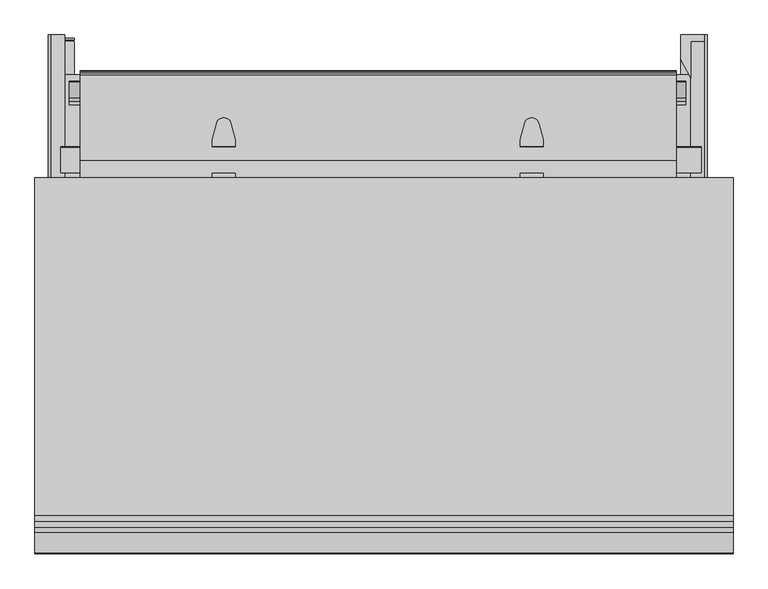
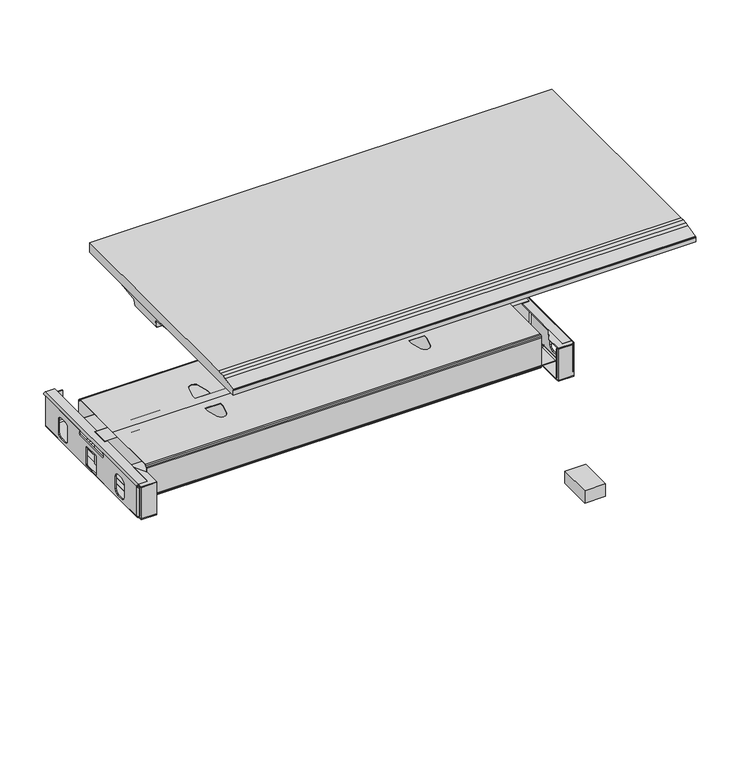
"""IFC4 building model written with IfcOpenShell, lengths in millimetres: furniture geometry."""

from ifc_helpers import new_model, si_unit, point, frame, frame_2d, origin, place, context, project, spatial, polyline, circle_curve, ellipse_curve, trimmed, segment, composite_curve, outline, extrude, faceted_brep, source, transform, mapped, element, save
from ifc_brep_helpers import plane_surface, cylinder_surface, revolved_surface, advanced_brep


def furniture_5e8d4d71(model_context):
    return source(origin(), model_context, "Body", "SolidModel", [
        extrude(outline(polyline([(-640.4329639, 158.9882127), (-640.4329639, 170.9160479), (-595.4647785, 170.9160479), (-595.4647785, 158.9882127), (-640.4329639, 158.9882127)])), frame((0.0, 0.0, 329.7479447), z_axis=(0.0, 0.0, 1.0), x_axis=(1.0, 0.0, 0.0)), (0.0, 0.0, 1.0), 2.6568509),
        extrude(outline(polyline([(-640.4329639, 158.9882127), (-640.4329639, 165.0842069), (-595.4647785, 165.0842069), (-595.4647785, 158.9882127), (-640.4329639, 158.9882127)])), frame((0.0, 0.0, 332.4047956), z_axis=(0.0, 0.0, 1.0), x_axis=(1.0, 0.0, 0.0)), (0.0, 0.0, 1.0), 96.2863103),
        extrude(outline(polyline([(-614.566129, 241.2699029), (-595.4647785, 205.8267357), (-595.4647785, 158.9882127), (-640.4329639, 158.9882127), (-640.4329639, 170.9160479), (-614.566129, 170.9160479), (-614.566129, 241.2699029)])), frame((0.0, 0.0, 428.6911059), z_axis=(0.0, 0.0, 1.0), x_axis=(1.0, 0.0, 0.0)), (0.0, 0.0, 1.0), 2.6568509),
        extrude(outline(composite_curve([segment(trimmed(circle_curve(frame_2d((-640.484237, 170.9160479)), 5.8318411), [point((-640.484237, 165.0842069))], [point((-646.3160781, 170.9160479))], False, "CARTESIAN"), True, "CONTINUOUS"), segment(polyline([(-646.3160781, 170.9160479), (-643.6593386, 170.9160479)]), True, "CONTINUOUS"), segment(trimmed(circle_curve(frame_2d((-640.4843029, 170.9160843)), 3.1750357), [point((-643.6593386, 170.9160479))], [point((-640.4144408, 167.7418174))], True, "CARTESIAN"), True, "CONTINUOUS"), segment(polyline([(-640.4144408, 167.7418174), (-595.4647785, 167.7418174), (-595.4647785, 165.0842069), (-640.484237, 165.0842069)]), True, "CONTINUOUS")], self_intersect=False)), frame((0.0, 0.0, 337.3679374), z_axis=(0.0, 0.0, 1.0), x_axis=(1.0, 0.0, 0.0)), (0.0, 0.0, 1.0), 87.8941627),
        extrude(outline(polyline([(342.9173325, 425.2621), (337.0354481, 421.6426262), (337.0354481, 416.1816223), (341.0613469, 412.1557053), (457.0505017, 412.1557053), (461.0764369, 416.1816223), (461.0764369, 421.6426262), (454.0472738, 425.9681253), (627.4425766, 425.9681253), (627.4425766, 333.9237072), (170.9160479, 333.9237072), (170.9160479, 425.2621), (342.9173325, 425.2621)]), holes=[polyline([(233.9635599, 355.1479568), (235.6650368, 348.7979447), (240.3135539, 344.1494275), (246.663566, 342.4479689), (265.713566, 342.4479689), (272.0635599, 344.1494275), (276.7120862, 348.7979447), (278.413563, 355.1479568), (278.413563, 393.2479568), (276.7120862, 399.5979689), (272.0635599, 404.246486), (265.713566, 405.9479447), (246.663566, 405.9479447), (240.3135539, 404.246486), (235.6650368, 399.5979689), (233.9635599, 393.2479568), (233.9635599, 355.1479568)]), polyline([(424.4559432, 341.1298807), (424.4559432, 392.4229345), (423.9200452, 394.4229577), (422.4559432, 395.8870399), (420.4559432, 396.4229447), (377.6345424, 396.4229447), (375.6345441, 395.8870399), (374.1704415, 394.4229577), (373.6345435, 392.4229345), (373.6345435, 341.1298807), (374.1704415, 339.1298938), (375.6345441, 337.6657753), (377.6345424, 337.1298705), (420.4559432, 337.1298705), (422.4559432, 337.6657753), (423.9200452, 339.1298938), (424.4559432, 341.1298807)]), polyline([(564.1483295, 355.1479568), (564.1483295, 393.2479568), (562.4468527, 399.5979689), (557.7983356, 404.246486), (551.4483235, 405.9479447), (532.3983235, 405.9479447), (526.0483295, 404.246486), (521.3998033, 399.5979689), (519.6983265, 393.2479568), (519.6983265, 355.1479568), (521.3998033, 348.7979447), (526.0483295, 344.1494275), (532.3983235, 342.4479689), (551.4483235, 342.4479689), (557.7983356, 344.1494275), (562.4468527, 348.7979447), (564.1483295, 355.1479568)])]), frame((-646.3160781, 0.0, 0.0), z_axis=(1.0, 0.0, 0.0), x_axis=(0.0, 1.0, 0.0)), (0.0, 0.0, 1.0), 2.6568146),
        extrude(outline(composite_curve([segment(trimmed(circle_curve(frame_2d((425.1683348, -640.1268352)), 6.1899531), [point((431.3479568, -640.4843144))], [point((425.2621, -646.3160781))], False, "CARTESIAN"), True, "CONTINUOUS"), segment(polyline([(425.2621, -646.3160781), (425.2621, -643.6895529)]), True, "CONTINUOUS"), segment(trimmed(circle_curve(frame_2d((425.2415122, -640.2400206)), 3.4495937), [point((425.2621, -643.6895529))], [point((428.6911059, -640.2400206))], True, "CARTESIAN"), True, "CONTINUOUS"), segment(polyline([(428.6911059, -640.2400206), (428.6911059, -614.566129), (431.3479568, -614.566129), (431.3479568, -640.4843144)]), True, "CONTINUOUS")], self_intersect=False)), frame((0.0, 170.9160479, 0.0), z_axis=(0.0, 1.0, 0.0), x_axis=(0.0, 0.0, 1.0)), (0.0, 0.0, 1.0), 468.4543798),
        extrude(outline(composite_curve([segment(polyline([(-640.4841619, 633.0328981), (-596.3648392, 633.0328981), (-596.3648392, 630.3752876), (-640.4143657, 630.3752876)]), True, "CONTINUOUS"), segment(trimmed(circle_curve(frame_2d((-640.4842278, 627.2010206)), 3.1750357), [point((-640.4143657, 630.3752876))], [point((-643.6592635, 627.2010571))], True, "CARTESIAN"), True, "CONTINUOUS"), segment(polyline([(-643.6592635, 627.2010571), (-646.3160029, 627.2010571)]), True, "CONTINUOUS"), segment(trimmed(circle_curve(frame_2d((-640.4841619, 627.2010571)), 5.8318411), [point((-646.3160029, 627.2010571))], [point((-640.4841619, 633.0328981))], False, "CARTESIAN"), True, "CONTINUOUS")], self_intersect=False)), frame((0.0, 0.0, 337.3679374), z_axis=(0.0, 0.0, 1.0), x_axis=(1.0, 0.0, 0.0)), (0.0, 0.0, 1.0), 87.8941627),
        extrude(outline(composite_curve([segment(polyline([(335.5797835, -643.6592635), (335.5797835, -646.3160029)]), True, "CONTINUOUS"), segment(trimmed(circle_curve(frame_2d((335.5797835, -640.4841641)), 5.8318388), [point((335.5797835, -646.3160029))], [point((329.7479447, -640.4841641))], False, "CARTESIAN"), True, "CONTINUOUS"), segment(polyline([(329.7479447, -640.4841641), (329.7479447, -595.4647785), (332.4053252, -595.4647785), (332.4053252, -640.4263376)]), True, "CONTINUOUS"), segment(trimmed(circle_curve(frame_2d((335.57973, -640.484329)), 3.1749345), [point((332.4053252, -640.4263376))], [point((335.5797835, -643.6592635))], True, "CARTESIAN"), True, "CONTINUOUS")], self_intersect=False)), frame((0.0, 170.9160479, 0.0), z_axis=(0.0, 1.0, 0.0), x_axis=(0.0, 0.0, 1.0)), (0.0, 0.0, 1.0), 456.2850092),
        extrude(outline(polyline([(607.613747, 562.6755316), (607.613747, 235.531324), (-617.8181082, 235.531324), (-617.8181082, 562.6755316), (607.613747, 562.6755316)])), frame((0.0, 0.0, 332.4053252), z_axis=(0.0, 0.0, 1.0), x_axis=(1.0, 0.0, 0.0)), (0.0, 0.0, 1.0), 1.518382),
        extrude(outline(polyline([(616.2505912, 639.3704277), (616.2505912, 633.2744336), (571.2824058, 633.2744336), (571.2824058, 639.3704277), (616.2505912, 639.3704277)])), frame((0.0, 0.0, 332.4047956), z_axis=(0.0, 0.0, 1.0), x_axis=(1.0, 0.0, 0.0)), (0.0, 0.0, 1.0), 96.2863103),
        extrude(outline(polyline([(616.2505912, 639.3704277), (616.2505912, 627.2010571), (571.2824058, 627.2010571), (571.2824058, 639.3704277), (616.2505912, 639.3704277)])), frame((0.0, 0.0, 329.7479447), z_axis=(0.0, 0.0, 1.0), x_axis=(1.0, 0.0, 0.0)), (0.0, 0.0, 1.0), 2.6568509),
        extrude(outline(polyline([(590.3324058, 557.0887375), (571.2824058, 592.5319047), (571.2824058, 639.3704277), (616.2505912, 639.3704277), (616.2505912, 627.4425925), (590.3324058, 627.4425925), (590.3324058, 557.0887375)])), frame((0.0, 0.0, 428.6911059), z_axis=(0.0, 0.0, 1.0), x_axis=(1.0, 0.0, 0.0)), (0.0, 0.0, 1.0), 2.6568509),
        extrude(outline(polyline([(616.2505912, 170.9160479), (616.2505912, 158.9882127), (571.2824058, 158.9882127), (571.2824058, 170.9160479), (616.2505912, 170.9160479)])), frame((0.0, 0.0, 329.7479447), z_axis=(0.0, 0.0, 1.0), x_axis=(1.0, 0.0, 0.0)), (0.0, 0.0, 1.0), 2.6568509),
        extrude(outline(polyline([(616.2505912, 165.0842069), (616.2505912, 158.9882127), (571.2824058, 158.9882127), (571.2824058, 165.0842069), (616.2505912, 165.0842069)])), frame((0.0, 0.0, 332.4047956), z_axis=(0.0, 0.0, 1.0), x_axis=(1.0, 0.0, 0.0)), (0.0, 0.0, 1.0), 96.2863103),
        extrude(outline(polyline([(590.3324058, 241.2699029), (590.3324058, 170.9160479), (616.2505912, 170.9160479), (616.2505912, 158.9882127), (571.2824058, 158.9882127), (571.2824058, 205.8267357), (590.3324058, 241.2699029)])), frame((0.0, 0.0, 428.6911059), z_axis=(0.0, 0.0, 1.0), x_axis=(1.0, 0.0, 0.0)), (0.0, 0.0, 1.0), 2.6568509),
        extrude(outline(composite_curve([segment(polyline([(616.3018643, 165.0842069), (571.2824058, 165.0842069), (571.2824058, 167.7418174), (616.2320682, 167.7418174)]), True, "CONTINUOUS"), segment(trimmed(circle_curve(frame_2d((616.3019303, 170.9160843)), 3.1750357), [point((616.2320682, 167.7418174))], [point((619.476966, 170.9160479))], True, "CARTESIAN"), True, "CONTINUOUS"), segment(polyline([(619.476966, 170.9160479), (622.1337054, 170.9160479)]), True, "CONTINUOUS"), segment(trimmed(circle_curve(frame_2d((616.3018643, 170.9160479)), 5.8318411), [point((622.1337054, 170.9160479))], [point((616.3018643, 165.0842069))], False, "CARTESIAN"), True, "CONTINUOUS")], self_intersect=False)), frame((0.0, 0.0, 337.3679374), z_axis=(0.0, 0.0, 1.0), x_axis=(1.0, 0.0, 0.0)), (0.0, 0.0, 1.0), 87.8941627),
        extrude(outline(polyline([(342.9173325, 425.2621), (337.0354481, 421.6426262), (337.0354481, 416.1816223), (341.0613469, 412.1557053), (457.0505017, 412.1557053), (461.0764369, 416.1816223), (461.0764369, 421.6426262), (454.0472738, 425.9681253), (627.4425766, 425.9681253), (627.4425766, 333.9237072), (170.9160479, 333.9237072), (170.9160479, 425.2621), (342.9173325, 425.2621)]), holes=[polyline([(233.9635599, 355.1479568), (235.6650368, 348.7979447), (240.3135539, 344.1494275), (246.663566, 342.4479689), (265.713566, 342.4479689), (272.0635599, 344.1494275), (276.7120862, 348.7979447), (278.413563, 355.1479568), (278.413563, 393.2479568), (276.7120862, 399.5979689), (272.0635599, 404.246486), (265.713566, 405.9479447), (246.663566, 405.9479447), (240.3135539, 404.246486), (235.6650368, 399.5979689), (233.9635599, 393.2479568), (233.9635599, 355.1479568)]), polyline([(424.4559432, 341.1298807), (424.4559432, 392.4229345), (423.9200452, 394.4229577), (422.4559432, 395.8870399), (420.4559432, 396.4229447), (377.6345424, 396.4229447), (375.6345441, 395.8870399), (374.1704415, 394.4229577), (373.6345435, 392.4229345), (373.6345435, 341.1298807), (374.1704415, 339.1298938), (375.6345441, 337.6657753), (377.6345424, 337.1298705), (420.4559432, 337.1298705), (422.4559432, 337.6657753), (423.9200452, 339.1298938), (424.4559432, 341.1298807)]), polyline([(564.1483295, 355.1479568), (564.1483295, 393.2479568), (562.4468527, 399.5979689), (557.7983356, 404.246486), (551.4483235, 405.9479447), (532.3983235, 405.9479447), (526.0483295, 404.246486), (521.3998033, 399.5979689), (519.6983265, 393.2479568), (519.6983265, 355.1479568), (521.3998033, 348.7979447), (526.0483295, 344.1494275), (532.3983235, 342.4479689), (551.4483235, 342.4479689), (557.7983356, 344.1494275), (562.4468527, 348.7979447), (564.1483295, 355.1479568)])]), frame((616.2505912, 0.0, 0.0), z_axis=(1.0, 0.0, 0.0), x_axis=(0.0, 1.0, 0.0)), (0.0, 0.0, 1.0), 3.2262996),
        faceted_brep([(562.1400259, 227.963817, 425.827242), (562.1400259, 227.963817, 340.2714177), (562.1400259, 227.963817, 338.0876055), (562.1400259, 228.9762009, 334.3092941), (562.1400259, 231.7467258, 331.5387874), (562.1400259, 235.531324, 330.5247141), (562.1400259, 398.8377457, 330.5247141), (562.1400259, 562.8273164, 330.5247141), (562.1400259, 566.6119146, 331.5387874), (562.1400259, 569.3824396, 334.3092941), (562.1400259, 570.3948234, 338.0876055), (562.1400259, 570.3948234, 340.2714177), (562.1400259, 570.3948234, 425.827242), (562.1400259, 569.4215919, 429.4594331), (562.1400259, 566.6102252, 432.3823651), (562.1400259, 562.825627, 433.3964384), (562.1400259, 397.785447, 433.3964384), (562.1400259, 235.5330134, 433.3964384), (562.1400259, 231.7484152, 432.3823651), (562.1400259, 228.9370485, 429.4594331), (562.1400259, 235.5330134, 432.1772541), (562.1400259, 396.9389352, 432.1772541), (562.1400259, 562.825627, 432.1772541), (562.1400259, 566.000633, 431.3265066), (562.1400259, 568.3248916, 429.0022299), (562.1400259, 569.1756391, 425.827242), (562.1400259, 569.1756391, 340.2714177), (562.1400259, 569.1756391, 338.0876733), (562.1400259, 568.326581, 334.9189226), (562.1400259, 566.0023225, 332.5946459), (562.1400259, 562.8273164, 331.7438984), (562.1400259, 397.7786116, 331.7438984), (562.1400259, 235.531324, 331.7438984), (562.1400259, 232.3563179, 332.5946459), (562.1400259, 230.0320594, 334.9189226), (562.1400259, 229.1830013, 338.0876733), (562.1400259, 229.1830013, 340.2714177), (562.1400259, 229.1830013, 425.827242), (562.1400259, 230.0337488, 429.0022299), (562.1400259, 232.3580074, 431.3265066), (-584.7408985, 227.963817, 425.827242), (-584.7408985, 228.9370485, 429.4594331), (-584.7408985, 231.7484152, 432.3823651), (-584.7408985, 235.5330134, 433.3964384), (-584.7408985, 397.785447, 433.3964384), (-584.7408985, 562.825627, 433.3964384), (-584.7408985, 566.6102252, 432.3823651), (-584.7408985, 569.4215919, 429.4594331), (-584.7408985, 570.3948234, 425.827242), (-584.7408985, 570.3948234, 340.2714177), (-584.7408985, 570.3948234, 338.0876055), (-584.7408985, 569.3824396, 334.3092941), (-584.7408985, 566.6119146, 331.5387874), (-584.7408985, 562.8273164, 330.5247141), (-584.7408985, 398.8377457, 330.5247141), (-584.7408985, 235.531324, 330.5247141), (-584.7408985, 231.7467258, 331.5387874), (-584.7408985, 228.9762009, 334.3092941), (-584.7408985, 227.963817, 338.0876055), (-584.7408985, 227.963817, 340.2714177), (-584.7408985, 235.5330134, 432.1772541), (-584.7408985, 232.3580074, 431.3265066), (-584.7408985, 230.0337488, 429.0022299), (-584.7408985, 229.1830013, 425.827242), (-584.7408985, 229.1830013, 340.2714177), (-584.7408985, 229.1830013, 338.0876733), (-584.7408985, 230.0320594, 334.9189226), (-584.7408985, 232.3563179, 332.5946459), (-584.7408985, 235.531324, 331.7438984), (-584.7408985, 397.7786116, 331.7438984), (-584.7408985, 562.8273164, 331.7438984), (-584.7408985, 566.0023225, 332.5946459), (-584.7408985, 568.326581, 334.9189226), (-584.7408985, 569.1756391, 338.0876733), (-584.7408985, 569.1756391, 340.2714177), (-584.7408985, 569.1756391, 425.827242), (-584.7408985, 568.3248916, 429.0022299), (-584.7408985, 566.000633, 431.3265066), (-584.7408985, 562.825627, 432.1772541), (-584.7408985, 396.9389352, 432.1772541), (-330.5047758, 360.9565261, 432.1772541), (-321.8451218, 328.5218157, 432.1772541), (-319.4303984, 323.3434246, 432.1772541), (-314.9899754, 319.7476409, 432.1772541), (-309.4226676, 318.4623267, 432.1772541), (-307.136917, 318.4623267, 432.1772541), (-301.5696093, 319.7476409, 432.1772541), (-297.1291863, 323.3434246, 432.1772541), (-294.7144421, 328.5218604, 432.1772541), (-286.0548, 360.9565261, 432.1772541), (-286.0548, 373.6565253, 432.1772541), (-330.5047758, 373.6565253, 432.1772541), (306.2587307, 360.9565261, 432.1772541), (306.2587307, 373.6565253, 432.1772541), (261.8087549, 373.6565253, 432.1772541), (261.8087549, 360.9565261, 432.1772541), (270.468397, 328.5218604, 432.1772541), (272.8831412, 323.3434246, 432.1772541), (277.3235642, 319.7476409, 432.1772541), (282.890872, 318.4623267, 432.1772541), (285.1766226, 318.4623267, 432.1772541), (290.7439303, 319.7476409, 432.1772541), (295.1843533, 323.3434246, 432.1772541), (297.5990767, 328.5218157, 432.1772541), (-321.8451218, 328.5218157, 433.3964384), (-330.5047758, 360.9565261, 433.3964384), (-330.5047758, 373.6565253, 433.3964384), (-286.0548, 373.6565253, 433.3964384), (-286.0548, 360.9565261, 433.3964384), (-294.7144421, 328.5218604, 433.3964384), (-297.1291863, 323.3434246, 433.3964384), (-301.5696093, 319.7476409, 433.3964384), (-307.136917, 318.4623267, 433.3964384), (-309.4226676, 318.4623267, 433.3964384), (-314.9899754, 319.7476409, 433.3964384), (-319.4303984, 323.3434246, 433.3964384), (306.2587307, 373.6565253, 433.3964384), (306.2587307, 360.9565261, 433.3964384), (297.5990767, 328.5218157, 433.3964384), (295.1843533, 323.3434246, 433.3964384), (290.7439303, 319.7476409, 433.3964384), (285.1766226, 318.4623267, 433.3964384), (282.890872, 318.4623267, 433.3964384), (277.3235642, 319.7476409, 433.3964384), (272.8831412, 323.3434246, 433.3964384), (270.468397, 328.5218604, 433.3964384), (261.8087549, 360.9565261, 433.3964384), (261.8087549, 373.6565253, 433.3964384), (-330.5047758, 424.7021151, 433.3964384), (-330.5047758, 437.4021143, 433.3964384), (-321.8451218, 469.8368247, 433.3964384), (-319.4303984, 475.0152158, 433.3964384), (-314.9899754, 478.6109995, 433.3964384), (-309.4226676, 479.8963137, 433.3964384), (-307.136917, 479.8963137, 433.3964384), (-301.5696093, 478.6109995, 433.3964384), (-297.1291863, 475.0152158, 433.3964384), (-294.7144421, 469.83678, 433.3964384), (-286.0548, 437.4021143, 433.3964384), (-286.0548, 424.7021151, 433.3964384), (297.5990767, 469.8368247, 433.3964384), (306.2587307, 437.4021143, 433.3964384), (306.2587307, 424.7021151, 433.3964384), (261.8087549, 424.7021151, 433.3964384), (261.8087549, 437.4021143, 433.3964384), (270.468397, 469.83678, 433.3964384), (272.8831412, 475.0152158, 433.3964384), (277.3235642, 478.6109995, 433.3964384), (282.890872, 479.8963137, 433.3964384), (285.1766226, 479.8963137, 433.3964384), (290.7439303, 478.6109995, 433.3964384), (295.1843533, 475.0152158, 433.3964384), (-330.5047758, 437.4021143, 432.1772541), (-330.5047758, 424.7021151, 432.1772541), (-286.0548, 424.7021151, 432.1772541), (-286.0548, 437.4021143, 432.1772541), (-294.7144421, 469.83678, 432.1772541), (-297.1291863, 475.0152158, 432.1772541), (-301.5696093, 478.6109995, 432.1772541), (-307.136917, 479.8963137, 432.1772541), (-309.4226676, 479.8963137, 432.1772541), (-314.9899754, 478.6109995, 432.1772541), (-319.4303984, 475.0152158, 432.1772541), (-321.8451218, 469.8368247, 432.1772541), (306.2587307, 437.4021143, 432.1772541), (297.5990767, 469.8368247, 432.1772541), (295.1843533, 475.0152158, 432.1772541), (290.7439303, 478.6109995, 432.1772541), (285.1766226, 479.8963137, 432.1772541), (282.890872, 479.8963137, 432.1772541), (277.3235642, 478.6109995, 432.1772541), (272.8831412, 475.0152158, 432.1772541), (270.468397, 469.83678, 432.1772541), (261.8087549, 437.4021143, 432.1772541), (261.8087549, 424.7021151, 432.1772541), (306.2587307, 424.7021151, 432.1772541)], [[[0, 1, 2, 3, 4, 5, 6, 7, 8, 9, 10, 11, 12, 13, 14, 15, 16, 17, 18, 19], [20, 21, 22, 23, 24, 25, 26, 27, 28, 29, 30, 31, 32, 33, 34, 35, 36, 37, 38, 39]], [[40, 41, 42, 43, 44, 45, 46, 47, 48, 49, 50, 51, 52, 53, 54, 55, 56, 57, 58, 59], [60, 61, 62, 63, 64, 65, 66, 67, 68, 69, 70, 71, 72, 73, 74, 75, 76, 77, 78, 79]], [[37, 36, 64, 63]], [[38, 37, 63, 62]], [[39, 38, 62, 61]], [[20, 39, 61, 60]], [[21, 20, 60, 79], [80, 81, 82, 83, 84, 85, 86, 87, 88, 89, 90, 91], [92, 93, 94, 95, 96, 97, 98, 99, 100, 101, 102, 103]], [[17, 16, 44, 43], [104, 105, 106, 107, 108, 109, 110, 111, 112, 113, 114, 115], [116, 117, 118, 119, 120, 121, 122, 123, 124, 125, 126, 127]], [[18, 17, 43, 42]], [[19, 18, 42, 41]], [[0, 19, 41, 40]], [[1, 0, 40, 59]], [[2, 1, 59, 58]], [[3, 2, 58, 57]], [[4, 3, 57, 56]], [[5, 4, 56, 55]], [[6, 5, 55, 54]], [[7, 6, 54, 53]], [[8, 7, 53, 52]], [[9, 8, 52, 51]], [[10, 9, 51, 50]], [[11, 10, 50, 49]], [[12, 11, 49, 48]], [[13, 12, 48, 47]], [[14, 13, 47, 46]], [[15, 14, 46, 45]], [[16, 15, 45, 44], [128, 129, 130, 131, 132, 133, 134, 135, 136, 137, 138, 139], [140, 141, 142, 143, 144, 145, 146, 147, 148, 149, 150, 151]], [[22, 21, 79, 78], [152, 153, 154, 155, 156, 157, 158, 159, 160, 161, 162, 163], [164, 165, 166, 167, 168, 169, 170, 171, 172, 173, 174, 175]], [[23, 22, 78, 77]], [[24, 23, 77, 76]], [[25, 24, 76, 75]], [[26, 25, 75, 74]], [[27, 26, 74, 73]], [[28, 27, 73, 72]], [[29, 28, 72, 71]], [[30, 29, 71, 70]], [[31, 30, 70, 69]], [[32, 31, 69, 68]], [[33, 32, 68, 67]], [[34, 33, 67, 66]], [[35, 34, 66, 65]], [[36, 35, 65, 64]], [[80, 105, 104, 81]], [[81, 104, 115, 82]], [[82, 115, 114, 83]], [[83, 114, 113, 84]], [[84, 113, 112, 85]], [[85, 112, 111, 86]], [[86, 111, 110, 87]], [[87, 110, 109, 88]], [[88, 109, 108, 89]], [[89, 108, 107, 90]], [[90, 107, 106, 91]], [[105, 80, 91, 106]], [[92, 117, 116, 93]], [[93, 116, 127, 94]], [[94, 127, 126, 95]], [[95, 126, 125, 96]], [[96, 125, 124, 97]], [[97, 124, 123, 98]], [[98, 123, 122, 99]], [[99, 122, 121, 100]], [[100, 121, 120, 101]], [[101, 120, 119, 102]], [[102, 119, 118, 103]], [[117, 92, 103, 118]], [[152, 129, 128, 153]], [[153, 128, 139, 154]], [[154, 139, 138, 155]], [[155, 138, 137, 156]], [[156, 137, 136, 157]], [[157, 136, 135, 158]], [[158, 135, 134, 159]], [[159, 134, 133, 160]], [[160, 133, 132, 161]], [[161, 132, 131, 162]], [[162, 131, 130, 163]], [[129, 152, 163, 130]], [[164, 141, 140, 165]], [[165, 140, 151, 166]], [[166, 151, 150, 167]], [[167, 150, 149, 168]], [[168, 149, 148, 169]], [[169, 148, 147, 170]], [[170, 147, 146, 171]], [[171, 146, 145, 172]], [[172, 145, 144, 173]], [[173, 144, 143, 174]], [[174, 143, 142, 175]], [[141, 164, 175, 142]]]),
        extrude(outline(composite_curve([segment(trimmed(circle_curve(frame_2d((422.8428694, 431.8406922)), 1.5557462), [point((422.8428694, 433.3964384))], [point((424.3986156, 431.8406922))], False, "CARTESIAN"), True, "CONTINUOUS"), segment(polyline([(424.3986156, 431.8406922), (424.3986156, 333.9237072), (374.3606156, 333.9237072), (374.3606156, 433.3964384), (422.8428694, 433.3964384)]), True, "CONTINUOUS")], self_intersect=False)), frame((-622.1783882, 0.0, 0.0), z_axis=(1.0, 0.0, 0.0), x_axis=(0.0, 1.0, 0.0)), (0.0, 0.0, 1.0), 1232.0789923),
        extrude(outline(composite_curve([segment(polyline([(431.3479568, 616.2505912), (431.3479568, 590.3324058), (428.6911059, 590.3324058), (428.6911059, 616.0062975)]), True, "CONTINUOUS"), segment(trimmed(circle_curve(frame_2d((425.2415122, 616.0062975)), 3.4495937), [point((428.6911059, 616.0062975))], [point((425.2621, 619.4558297))], True, "CARTESIAN"), True, "CONTINUOUS"), segment(polyline([(425.2621, 619.4558297), (425.2621, 622.0823549)]), True, "CONTINUOUS"), segment(trimmed(circle_curve(frame_2d((425.1683348, 615.893112)), 6.1899531), [point((425.2621, 622.0823549))], [point((431.3479568, 616.2505912))], False, "CARTESIAN"), True, "CONTINUOUS")], self_intersect=False)), frame((0.0, 170.9160479, 0.0), z_axis=(0.0, 1.0, 0.0), x_axis=(0.0, 0.0, 1.0)), (0.0, 0.0, 1.0), 468.4543798),
        extrude(outline(composite_curve([segment(trimmed(circle_curve(frame_2d((615.4017284, 627.2010571)), 5.8318411), [point((615.4017284, 633.0328981))], [point((621.2335695, 627.2010571))], False, "CARTESIAN"), True, "CONTINUOUS"), segment(polyline([(621.2335695, 627.2010571), (618.5768301, 627.2010571)]), True, "CONTINUOUS"), segment(trimmed(circle_curve(frame_2d((615.4017944, 627.2010206)), 3.1750357), [point((618.5768301, 627.2010571))], [point((615.3319323, 630.3752876))], True, "CARTESIAN"), True, "CONTINUOUS"), segment(polyline([(615.3319323, 630.3752876), (571.2824058, 630.3752876), (571.2824058, 633.0328981), (615.4017284, 633.0328981)]), True, "CONTINUOUS")], self_intersect=False)), frame((0.0, 0.0, 337.3679374), z_axis=(0.0, 0.0, 1.0), x_axis=(1.0, 0.0, 0.0)), (0.0, 0.0, 1.0), 87.8941627),
        extrude(outline(composite_curve([segment(trimmed(circle_curve(frame_2d((335.57973, 616.3019564)), 3.1749345), [point((335.5797835, 619.4768908))], [point((332.4053252, 616.243965))], True, "CARTESIAN"), True, "CONTINUOUS"), segment(polyline([(332.4053252, 616.243965), (332.4053252, 571.2824058), (329.7479447, 571.2824058), (329.7479447, 616.3017915)]), True, "CONTINUOUS"), segment(trimmed(circle_curve(frame_2d((335.5797835, 616.3017915)), 5.8318388), [point((329.7479447, 616.3017915))], [point((335.5797835, 622.1336303))], False, "CARTESIAN"), True, "CONTINUOUS"), segment(polyline([(335.5797835, 622.1336303), (335.5797835, 619.4768908)]), True, "CONTINUOUS")], self_intersect=False)), frame((0.0, 170.9160479, 0.0), z_axis=(0.0, 1.0, 0.0), x_axis=(0.0, 0.0, 1.0)), (0.0, 0.0, 1.0), 456.2850092),
        extrude(outline(polyline([(247.9512827, 383.2047711), (249.1812376, 384.0960597), (279.7035642, 341.97605), (286.6253346, 336.0531557), (295.8489895, 333.9237072), (417.8747239, 333.9237072), (502.5096509, 333.9237072), (511.7333058, 336.0531557), (518.6550762, 341.97605), (549.1774028, 384.0960597), (550.4073577, 383.2047711), (519.8850248, 341.0847527), (512.423716, 334.700186), (502.7693005, 332.4712885), (402.1125576, 332.4712885), (295.5893399, 332.4712885), (285.9349244, 334.700186), (278.4736156, 341.0847527), (247.9512827, 383.2047711)])), frame((-605.1524342, 0.0, 0.0), z_axis=(1.0, 0.0, 0.0), x_axis=(0.0, 1.0, 0.0)), (0.0, 0.0, 1.0), 1186.0018538),
        extrude(outline(polyline([(364.3376128, 1037.209), (-358.8003872, 1037.209), (-358.8003872, 1050.0105997), (-358.1411614, 1051.9474988), (-356.599571, 1053.0400713), (-318.7280511, 1062.3674515), (-307.5044266, 1064.8238668), (-296.1110087, 1066.3050482), (-284.6323852, 1066.8), (364.3376128, 1066.8), (364.3376128, 1037.209)])), frame((-671.576, 0.0, 0.0), z_axis=(1.0, 0.0, 0.0), x_axis=(0.0, 1.0, 0.0)), (0.0, 0.0, 1.0), 1343.152),
        advanced_brep(
        [(620.776, 127.2221653, 10.2361894), (620.776, 141.2419153, 10.2361894), (620.776, 140.8547401, 8.7946116), (620.776, 127.6093405, 8.7946116), (620.776, 134.2320403, 10.2361894), (620.776, 113.2751519, 0.0), (620.776, 155.1889286, 0.0), (620.776, 134.2320403, 0.0), (620.776, 111.7314216, 1.5436985), (620.776, 156.732659, 1.5436985), (620.776, 111.7314763, 4.1072626), (620.776, 156.7326043, 4.1072626), (620.776, 113.2713167, 5.9174378), (620.776, 155.1927639, 5.9174378)],
        [
            (0, 1, circle_curve(frame((620.776, 134.2320403, 10.2361894), z_axis=(0.0, 0.0, -1.0), x_axis=(0.0, 1.0, 0.0)), 7.009875)),
            (1, 2),
            (2, 3, circle_curve(frame((620.776, 134.2320403, 8.7946116), z_axis=(0.0, 0.0, 1.0), x_axis=(0.0, 1.0, 0.0)), 6.6226998)),
            (3, 0),
            (1, 0, circle_curve(frame((620.776, 134.2320403, 10.2361894), z_axis=(0.0, 0.0, -1.0), x_axis=(0.0, 1.0, 0.0)), 7.009875)),
            (3, 2, circle_curve(frame((620.776, 134.2320403, 8.7946116), z_axis=(0.0, 0.0, 1.0), x_axis=(0.0, 1.0, 0.0)), 6.6226998)),
            (4, 1),
            (0, 4),
            (5, 6, circle_curve(frame((620.776, 134.2320403, 0.0), z_axis=(0.0, 0.0, -1.0), x_axis=(0.0, 1.0, 0.0)), 20.9568884)),
            (6, 7),
            (7, 5),
            (6, 5, circle_curve(frame((620.776, 134.2320403, 0.0), z_axis=(0.0, 0.0, -1.0), x_axis=(0.0, 1.0, 0.0)), 20.9568884)),
            (8, 9, circle_curve(frame((620.776, 134.2320403, 1.5436985), z_axis=(0.0, 0.0, -1.0), x_axis=(0.0, 1.0, 0.0)), 22.5006187)),
            (9, 6),
            (5, 8),
            (9, 8, circle_curve(frame((620.776, 134.2320403, 1.5436985), z_axis=(0.0, 0.0, -1.0), x_axis=(0.0, 1.0, 0.0)), 22.5006187)),
            (10, 11, circle_curve(frame((620.776, 134.2320403, 4.1072626), z_axis=(0.0, 0.0, -1.0), x_axis=(0.0, 1.0, 0.0)), 22.500564)),
            (11, 9),
            (8, 10),
            (11, 10, circle_curve(frame((620.776, 134.2320403, 4.1072626), z_axis=(0.0, 0.0, -1.0), x_axis=(0.0, 1.0, 0.0)), 22.500564)),
            (12, 13, circle_curve(frame((620.776, 134.2320403, 5.9174378), z_axis=(0.0, 0.0, -1.0), x_axis=(0.0, 1.0, 0.0)), 20.9607236)),
            (13, 11),
            (10, 12),
            (13, 12, circle_curve(frame((620.776, 134.2320403, 5.9174378), z_axis=(0.0, 0.0, -1.0), x_axis=(0.0, 1.0, 0.0)), 20.9607236)),
            (2, 13),
            (12, 3),
        ],
        [
            revolved_surface(polyline([(620.776, 140.8547401, 8.7946116), (620.776, 141.2419153, 10.2361894)]), (620.776, 134.2320403, 0.0), (0.0, 0.0, 1.0)),
            plane_surface(frame((620.776, 134.2320403, 10.2361894), z_axis=(0.0, 0.0, 1.0), x_axis=(0.0, 1.0, 0.0))),
            plane_surface(frame((620.776, 134.2320403, 0.0), z_axis=(0.0, 0.0, -1.0), x_axis=(0.0, 1.0, 0.0))),
            revolved_surface(polyline([(620.776, 155.1889286, 0.0), (620.776, 156.732659, 1.5436985)]), (620.776, 134.2320403, 0.0), (0.0, 0.0, 1.0)),
            cylinder_surface(frame((620.776, 134.2320403, 0.0), z_axis=(0.0, 0.0, 1.0), x_axis=(0.0, 1.0, 0.0)), 22.500564),
            revolved_surface(polyline([(620.776, 156.7327498, 4.1072626), (620.776, 155.1927639, 5.9174378)]), (620.776, 134.2320403, 0.0), (0.0, 0.0, 1.0)),
            revolved_surface(polyline([(620.776, 155.1927639, 5.9174378), (620.776, 140.8547401, 8.7946116)]), (620.776, 134.2320403, 0.0), (0.0, 0.0, 1.0)),
        ],
        [
            (0, [[1, 2, 3, 4]]),
            (0, [[5, -4, 6, -2]]),
            (1, [[7, -1, 8]]),
            (1, [[-8, -5, -7]]),
            (2, [[9, 10, 11]]),
            (2, [[12, -11, -10]]),
            (3, [[13, 14, -9, 15]]),
            (3, [[16, -15, -12, -14]]),
            (4, [[17, 18, -13, 19]]),
            (4, [[20, -19, -16, -18]]),
            (5, [[21, 22, -17, 23]]),
            (5, [[24, -23, -20, -22]]),
            (6, [[-3, 25, -21, 26]]),
            (6, [[-6, -26, -24, -25]]),
        ],
    ),
        extrude(outline(polyline([(590.8675, 59.6052169), (590.8675, 158.9882127), (650.6845, 158.9882127), (650.6845, 59.6052169), (590.8675, 59.6052169)])), frame((0.0, 0.0, 10.2361894), z_axis=(0.0, 0.0, 1.0), x_axis=(1.0, 0.0, 0.0)), (0.0, 0.0, 1.0), 37.8638679),
        faceted_brep([(-475.0773962, 55.272954, 952.2870648), (-475.0773962, 50.1740464, 952.888627), (-475.0773962, 45.3456348, 954.6650084), (-475.0773962, 41.0496397, 957.5308218), (-475.0773962, 37.5298328, 961.3414904), (-475.0773962, 12.4262052, 995.9838526), (-475.0773962, 13.1647048, 996.5190068), (-475.0773962, 38.2683233, 961.8766321), (-475.0773962, 41.6416276, 958.2245295), (-475.0773962, 45.7588181, 955.4780401), (-475.0773962, 50.386261, 953.7755641), (-475.0773962, 55.272954, 953.1990731), (-475.0773962, 204.7515752, 953.1990731), (-475.0773962, 209.6382319, 953.7755641), (-475.0773962, 214.2656929, 955.4780401), (-475.0773962, 218.3829016, 958.2245295), (-475.0773962, 221.756215, 961.8766321), (-475.0773962, 246.9223387, 996.6052536), (-475.0773962, 269.6159703, 1033.3651011), (-475.0773962, 270.6848249, 1033.3651011), (-475.0773962, 247.6608202, 996.0701118), (-475.0773962, 222.4946964, 961.3414904), (-475.0773962, 218.9748804, 957.5308218), (-475.0773962, 214.6788853, 954.6650084), (-475.0773962, 209.8504555, 952.8885906), (-475.0773962, 204.7515752, 952.2870648), (475.2619573, 55.272954, 952.2870648), (475.2619573, 204.7515752, 952.2870648), (475.2619573, 209.8504555, 952.8885906), (475.2619573, 214.6788853, 954.6650084), (475.2619573, 218.9748804, 957.5308218), (475.2619573, 222.4946964, 961.3414904), (475.2619573, 247.6608202, 996.0701118), (475.2619573, 271.4411354, 1034.590196), (475.2619573, 270.3722807, 1034.590196), (475.2619573, 246.9223387, 996.6052536), (475.2619573, 221.756215, 961.8766321), (475.2619573, 218.3829016, 958.2245295), (475.2619573, 214.2656929, 955.4780401), (475.2619573, 209.6382319, 953.7755641), (475.2619573, 204.7515752, 953.1990731), (475.2619573, 55.272954, 953.1990731), (475.2619573, 50.386261, 953.7755641), (475.2619573, 45.7588181, 955.4780401), (475.2619573, 41.6416276, 958.2245295), (475.2619573, 38.2683233, 961.8766321), (475.2619573, 13.1647048, 996.5190068), (475.2619573, 12.4262052, 995.9838526), (475.2619573, 37.5298328, 961.3414904), (475.2619573, 41.0496397, 957.5308218), (475.2619573, 45.3456348, 954.6650084), (475.2619573, 50.1740464, 952.888627), (75.6384043, 204.7515752, 953.1990731), (75.6384043, 191.7575743, 953.1990731), (-81.7532437, 191.7575743, 953.1990731), (-81.7532437, 204.7515752, 953.1990731), (-81.7705031, 209.6382319, 953.7755641), (75.6556637, 209.6382319, 953.7755641), (-81.8214729, 214.2656929, 955.4780401), (75.7066339, 214.2656929, 955.4780401), (-81.903699, 218.3829016, 958.2245295), (75.7888606, 218.3829016, 958.2245295), (-82.013038, 221.756215, 961.8766321), (75.8982003, 221.756215, 961.8766321), (-81.9970166, 222.4946964, 961.3414904), (-81.8829304, 218.9748804, 957.5308218), (75.7680918, 218.9748804, 957.5308218), (75.8821788, 222.4946964, 961.3414904), (-81.7971318, 214.6788853, 954.6650084), (75.6822927, 214.6788853, 954.6650084), (-81.7439483, 209.8504555, 952.8885906), (75.6291088, 209.8504555, 952.8885906), (-81.7259395, 204.7515752, 952.2870648), (75.6110998, 204.7515752, 952.2870648), (-81.7259395, 191.7575743, 952.2870648), (75.6110998, 191.7575743, 952.2870648), (-82.8933187, 243.0630012, 991.2794643), (-86.742357, 244.9165407, 993.8373024), (-92.3919689, 246.6885267, 996.2825989), (-404.3231429, 246.6885267, 996.2825989), (-407.7577732, 246.9223387, 996.6052536), (-408.6845046, 246.9854259, 996.6923122), (405.8287306, 246.9854259, 996.6923122), (404.9019992, 246.9223387, 996.6052536), (401.4673689, 246.6885267, 996.2825989), (97.8762341, 246.6885267, 996.2825989), (84.3911169, 246.0969944, 995.466299), (80.6274527, 244.9165407, 993.8373024), (76.7784871, 243.0630012, 991.2794643), (-412.8142671, 247.7214779, 997.899724), (-416.4928943, 248.9196708, 999.8405939), (-419.525122, 250.5070924, 1002.4119486), (-439.7901641, 263.9213521, 1024.1407822), (-441.811625, 264.9796182, 1025.8549944), (-444.2640916, 265.7784434, 1027.1489561), (-447.0172666, 266.2753875, 1027.9539215), (-449.9248653, 266.4439815, 1028.2270153), (447.0690912, 266.4439815, 1028.2270153), (444.1614926, 266.2753875, 1027.9539215), (441.4083176, 265.7784434, 1027.1489561), (438.955851, 264.9796182, 1025.8549944), (436.9343901, 263.9213521, 1024.1407822), (416.669348, 250.5070924, 1002.4119486), (413.6371203, 248.9196708, 999.8405939), (409.9584931, 247.7214779, 997.899724), (-449.9248653, 267.5128354, 1028.2270153), (-447.0172666, 267.3442414, 1027.9539215), (-444.2640916, 266.8472972, 1027.1489561), (-441.811625, 266.048472, 1025.8549944), (-439.7901641, 264.9902057, 1024.1407822), (-419.525122, 251.5759434, 1002.4119486), (-416.4928943, 249.9885215, 999.8405939), (-412.8142671, 248.7903285, 997.899724), (-408.6845046, 248.0449347, 996.6923122), (-404.3231429, 247.7919987, 996.2825989), (-92.3919689, 247.7919987, 996.2825989), (-91.9010389, 247.6608202, 996.0701118), (94.365989, 247.6608202, 996.0701118), (97.8762341, 247.7919987, 996.2825989), (401.4673689, 247.7919987, 996.2825989), (405.8287306, 248.0449347, 996.6923122), (409.9584931, 248.7903285, 997.899724), (413.6371203, 249.9885215, 999.8405939), (416.669348, 251.5759434, 1002.4119486), (436.9343901, 264.9902057, 1024.1407822), (438.955851, 266.048472, 1025.8549944), (441.4083176, 266.8472972, 1027.1489561), (444.1614926, 267.3442414, 1027.9539215), (447.0690912, 267.5128354, 1028.2270153), (-86.742357, 246.042813, 993.8373024), (-82.8933187, 244.1892736, 991.2794643), (76.7784871, 244.1892736, 991.2794643), (80.6274527, 246.042813, 993.8373024), (84.3911169, 247.2232667, 995.466299)], [[[0, 1, 2, 3, 4, 5, 6, 7, 8, 9, 10, 11, 12, 13, 14, 15, 16, 17, 18, 19, 20, 21, 22, 23, 24, 25]], [[26, 27, 28, 29, 30, 31, 32, 33, 34, 35, 36, 37, 38, 39, 40, 41, 42, 43, 44, 45, 46, 47, 48, 49, 50, 51]], [[1, 0, 26, 51]], [[2, 1, 51, 50]], [[3, 2, 50, 49]], [[4, 3, 49, 48]], [[5, 4, 48, 47]], [[6, 5, 47, 46]], [[7, 6, 46, 45]], [[8, 7, 45, 44]], [[9, 8, 44, 43]], [[10, 9, 43, 42]], [[11, 10, 42, 41]], [[12, 11, 41, 40, 52, 53, 54, 55]], [[13, 12, 55, 56]], [[40, 39, 57, 52]], [[14, 13, 56, 58]], [[39, 38, 59, 57]], [[15, 14, 58, 60]], [[38, 37, 61, 59]], [[16, 15, 60, 62]], [[37, 36, 63, 61]], [[22, 21, 64, 65]], [[31, 30, 66, 67]], [[23, 22, 65, 68]], [[30, 29, 69, 66]], [[24, 23, 68, 70]], [[29, 28, 71, 69]], [[25, 24, 70, 72]], [[28, 27, 73, 71]], [[0, 25, 72, 74, 75, 73, 27, 26]], [[17, 16, 62, 76, 77, 78, 79, 80, 81]], [[36, 35, 82, 83, 84, 85, 86, 87, 88, 63]], [[18, 17, 81, 89, 90, 91, 92, 93, 94, 95, 96]], [[35, 34, 97, 98, 99, 100, 101, 102, 103, 104, 82]], [[20, 19, 105, 106, 107, 108, 109, 110, 111, 112, 113, 114, 115, 116]], [[33, 32, 117, 118, 119, 120, 121, 122, 123, 124, 125, 126, 127, 128]], [[21, 20, 116, 129, 130, 64]], [[32, 31, 67, 131, 132, 133, 117]], [[53, 75, 74, 54]], [[114, 79, 78, 115]], [[133, 86, 85, 118, 117]], [[118, 85, 84, 119]], [[119, 84, 83, 82, 120]], [[120, 82, 104, 121]], [[121, 104, 103, 122]], [[122, 103, 102, 123]], [[123, 102, 101, 124]], [[124, 101, 100, 125]], [[125, 100, 99, 126]], [[126, 99, 98, 127]], [[127, 98, 97, 128]], [[105, 96, 95, 106]], [[106, 95, 94, 107]], [[107, 94, 93, 108]], [[108, 93, 92, 109]], [[109, 92, 91, 110]], [[110, 91, 90, 111]], [[111, 90, 89, 112]], [[112, 89, 81, 113]], [[79, 114, 113, 81, 80]], [[115, 78, 77, 129, 116]], [[129, 77, 76, 130]], [[54, 74, 72, 70, 68, 65, 64, 130, 76, 62, 60, 58, 56, 55]], [[75, 53, 52, 57, 59, 61, 63, 88, 131, 67, 66, 69, 71, 73]], [[131, 88, 87, 132]], [[86, 133, 132, 87]], [[128, 97, 34, 33]], [[96, 105, 19, 18]]]),
        advanced_brep(
        [(-655.2406297, 162.7292702, 988.7915733), (-489.5122138, 162.7292702, 988.7915733), (-503.8924181, 160.5008169, 986.1442785), (-652.7518591, 160.5008169, 986.1442785), (-655.4625278, 162.738256, 989.0276054), (-657.8619089, 163.3822827, 1005.9443054), (-475.0773962, 163.3822827, 1005.9443054), (-475.0773962, 163.0342965, 996.8037253), (-477.9075093, 162.9531058, 994.6710821), (-478.0501644, 162.8754397, 992.6310191), (-658.7185362, 168.8493181, 1011.9839076), (-475.0773962, 168.8493181, 1011.9839076), (-661.2393767, 283.4205225, 1029.7569507), (-597.0243442, 283.4205225, 1029.7569507), (-475.0773962, 202.6158, 1017.2219877), (-661.3128152, 287.1965275, 1030.2747243), (-602.7229255, 287.1965275, 1030.2747243), (-661.9871296, 288.7067839, 1035.0289399), (-660.2021288, 286.1298888, 1037.209), (-601.1132011, 286.1298888, 1037.209), (-661.9871296, -70.2667839, 1035.0289399), (-661.3128152, -68.7565275, 1030.2747243), (-602.7229255, -68.7565275, 1030.2747243), (-601.1132011, -67.6898888, 1037.209), (-660.2021288, -67.6898888, 1037.209), (-661.2393767, -64.9805225, 1029.7569507), (-597.0243442, -64.9805225, 1029.7569507), (-658.7185362, 49.5906819, 1011.9839076), (-475.0773962, 49.5906819, 1011.9839076), (-475.0773962, 15.8242, 1017.2219877), (-657.8619089, 55.0577173, 1005.9443054), (-475.0773962, 55.0577173, 1005.9443054), (-655.4625278, 55.701744, 989.0276054), (-655.2406297, 55.7107298, 988.7915733), (-489.5122138, 55.7107298, 988.7915733), (-478.0501644, 55.5645603, 992.6310191), (-477.9075093, 55.4868942, 994.6710821), (-475.0773962, 55.4057035, 996.8037253), (-652.7518591, 57.9391831, 986.1442785), (-503.8924181, 57.9391831, 986.1442785), (-475.0773962, 15.8242, 1037.209), (-475.0773962, 202.6158, 1037.209)],
        [
            (0, 1),
            (1, 2, ellipse_curve(frame((-513.7936465, 239.7670009, 1080.3086722), z_axis=(0.0, 0.7650318638532662, -0.6439924279750482), x_axis=(0.0, 0.6439924279750482, 0.7650318638532662)), 123.7641411, 94.6835116)),
            (2, 3),
            (3, 0),
            (0, 4),
            (4, 5),
            (5, 6),
            (6, 7),
            (7, 8),
            (8, 9),
            (9, 1, ellipse_curve(frame((-513.7936465, 166.2133686, 1080.3086722), z_axis=(0.0, 0.999276106683639, -0.03804290487316255), x_axis=(0.0, 0.03804290487316397, 0.999276106683639)), 94.752102, 94.6835116)),
            (5, 10, ellipse_curve(frame((-657.8119691, 169.8408409, 1005.5922075), z_axis=(-0.9900906714849608, 0.0, -0.1404295632637929), x_axis=(-0.14042956326379186, 0.0, 0.990090671484961)), 6.5328852, 6.4681487)),
            (10, 11),
            (11, 6, circle_curve(frame((-475.0773962, 169.8408409, 1005.5922075), z_axis=(1.0, 0.0, 0.0), x_axis=(0.0, 1.0, 0.0)), 6.4681487)),
            (10, 12),
            (12, 13),
            (13, 14),
            (14, 11),
            (12, 15),
            (15, 16),
            (16, 13),
            (15, 17, ellipse_curve(frame((-661.7730772, 285.2194111, 1033.5197755), z_axis=(0.9900906714849608, 0.0, 0.1404295632637929), x_axis=(0.14042956326379186, 0.0, -0.990090671484961)), 3.8379455, 3.7999141)),
            (17, 18, ellipse_curve(frame((-663.222811, 285.2194111, 1033.5197755), z_axis=(0.7737284588431418, 0.0, -0.6335173809582629), x_axis=(0.6335173809582627, 0.0, 0.7737284588431418)), 4.9111727, 3.7999141)),
            (18, 19),
            (19, 16, ellipse_curve(frame((-599.739148, 285.2194111, 1033.5197755), z_axis=(-0.5523637579768537, -0.8336031902972109, 0.0), x_axis=(0.8336031902972109, -0.5523637579768538, 0.0)), 6.8793689, 3.7999141)),
            (20, 21, ellipse_curve(frame((-661.7730772, -66.7794111, 1033.5197755), z_axis=(0.9900906714849608, 0.0, 0.1404295632637929), x_axis=(0.14042956326379186, 0.0, -0.990090671484961)), 3.8379455, 3.7999141)),
            (21, 22),
            (22, 23, ellipse_curve(frame((-599.739148, -66.7794111, 1033.5197755), z_axis=(-0.5523637579749261, 0.8336031902984881, 0.0), x_axis=(0.833603190298488, 0.552363757974926, 0.0)), 6.8793689, 3.7999141)),
            (23, 24),
            (24, 20, ellipse_curve(frame((-663.222811, -66.7794111, 1033.5197755), z_axis=(0.7737284588431418, 0.0, -0.6335173809582629), x_axis=(0.6335173809582627, 0.0, 0.7737284588431418)), 4.9111727, 3.7999141)),
            (21, 25),
            (25, 26),
            (26, 22),
            (27, 28),
            (28, 29),
            (29, 26),
            (25, 27),
            (27, 30, ellipse_curve(frame((-657.8119691, 48.5991591, 1005.5922075), z_axis=(-0.9900906714849608, 0.0, -0.1404295632637929), x_axis=(-0.14042956326379186, 0.0, 0.990090671484961)), 6.5328852, 6.4681487)),
            (30, 31),
            (31, 28, circle_curve(frame((-475.0773962, 48.5991591, 1005.5922075), z_axis=(1.0, 0.0, 0.0), x_axis=(0.0, 1.0, 0.0)), 6.4681487)),
            (30, 32),
            (32, 33),
            (33, 34),
            (34, 35, ellipse_curve(frame((-513.7936465, 52.2266314, 1080.3086722), z_axis=(0.0, -0.9992761066836363, -0.03804290487323539), x_axis=(0.0, 0.03804290487323121, -0.9992761066836364)), 94.752102, 94.6835116)),
            (35, 36),
            (36, 37),
            (37, 31),
            (33, 38),
            (38, 39),
            (39, 34, ellipse_curve(frame((-513.7936465, -21.3270009, 1080.3086722), z_axis=(0.0, -0.7650318638534733, -0.643992427974802), x_axis=(0.0, 0.643992427974802, -0.7650318638534732)), 123.7641411, 94.6835116)),
            (4, 32),
            (20, 17),
            (24, 18),
            (23, 40),
            (40, 41),
            (41, 19),
            (37, 7),
            (14, 41),
            (40, 29),
            (36, 8),
            (35, 9),
            (39, 2),
            (38, 3),
        ],
        [
            plane_surface(frame((-678.2773962, 160.5008169, 986.1442785), z_axis=(0.0, 0.7650318638532662, -0.6439924279750482), x_axis=(1.0, 0.0, 0.0))),
            plane_surface(frame((-678.2773962, 162.7292702, 988.7915733), z_axis=(0.0, 0.999276106683639, -0.03804290487316255), x_axis=(1.0, 0.0, 0.0))),
            revolved_surface(polyline([(-658.7293793154886, 176.3089896, 1005.5922075), (-475.0773962, 176.3089896, 1005.5922075)]), (-678.2773962, 169.8408409, 1005.5922075), (-1.0, 0.0, 0.0)),
            plane_surface(frame((-678.2773962, 168.8493181, 1011.9839076), z_axis=(0.0, 0.153293135871396, -0.9881807600306302), x_axis=(1.0, 0.0, 0.0))),
            plane_surface(frame((-678.2773962, 283.4205225, 1029.7569507), z_axis=(0.0, 0.13585085469026903, -0.9907292996979162), x_axis=(1.0, 0.0, 0.0))),
            cylinder_surface(frame((-678.2773962, 285.2194111, 1033.5197755), z_axis=(1.0, 0.0, 0.0), x_axis=(0.0, 1.0, 0.0)), 3.7999141),
            cylinder_surface(frame((-678.2773962, -66.7794111, 1033.5197755), z_axis=(1.0, 0.0, 0.0), x_axis=(0.0, 1.0, 0.0)), 3.7999141),
            plane_surface(frame((-678.2773962, -68.7565275, 1030.2747243), z_axis=(0.0, -0.13585085468791205, -0.9907292996982394), x_axis=(1.0, 0.0, 0.0))),
            plane_surface(frame((-678.2773962, -64.9805225, 1029.7569507), z_axis=(0.0, -0.1532931358714066, -0.9881807600306285), x_axis=(1.0, 0.0, 0.0))),
            revolved_surface(polyline([(-658.7293793154886, 55.0673078, 1005.5922075), (-475.0773962, 55.0673078, 1005.5922075)]), (-678.2773962, 48.5991591, 1005.5922075), (-1.0, 0.0, 0.0)),
            plane_surface(frame((-678.2773962, 55.0577173, 1005.9443054), z_axis=(0.0, -0.9992761066836363, -0.03804290487323539), x_axis=(1.0, 0.0, 0.0))),
            plane_surface(frame((-678.2773962, 55.7107298, 988.7915733), z_axis=(0.0, -0.7650318638534733, -0.643992427974802), x_axis=(1.0, 0.0, 0.0))),
            plane_surface(frame((-655.4625278, 299.72, 989.0276054), z_axis=(-0.9900906714849608, 0.0, -0.1404295632637929), x_axis=(0.0, -1.0, 0.0))),
            plane_surface(frame((-661.9871296, 299.72, 1035.0289399), z_axis=(-0.7737284588431418, 0.0, 0.6335173809582629), x_axis=(0.0, -1.0, 0.0))),
            plane_surface(frame((-660.2021288, 299.72, 1037.209), z_axis=(0.0, 0.0, 1.0), x_axis=(0.0, -1.0, 0.0))),
            plane_surface(frame((-475.0773962, 299.72, 1037.209), z_axis=(1.0, 0.0, 0.0), x_axis=(0.0, -1.0, 0.0))),
            plane_surface(frame((-475.0773962, 299.72, 996.8037253), z_axis=(0.6018150231516275, 0.0, -0.7986355100476099), x_axis=(0.0, -1.0, 0.0))),
            plane_surface(frame((-477.9075093, 299.72, 994.6710821), z_axis=(0.9975640502599527, 0.0, -0.06975647374228974), x_axis=(0.0, -1.0, 0.0))),
            cylinder_surface(frame((-513.7936465, 299.72, 1080.3086722), z_axis=(0.0, 1.0, 0.0), x_axis=(1.0, 0.0, 0.0)), 94.6835116),
            plane_surface(frame((-503.8924181, 299.72, 986.1442785), z_axis=(0.0, 0.0, -1.0), x_axis=(0.0, -1.0, 0.0))),
            plane_surface(frame((-652.7518591, 299.72, 986.1442785), z_axis=(-0.7285846064197894, 0.0, -0.6849558170335664), x_axis=(0.0, -1.0, 0.0))),
            plane_surface(frame((-621.6228017, 299.72, 1037.209), z_axis=(0.5523637579768537, 0.8336031902972109, 0.0), x_axis=(0.0, 0.0, -1.0))),
            plane_surface(frame((-475.0773962, 15.8242, 1037.209), z_axis=(0.5523637579749261, -0.8336031902984881, 0.0), x_axis=(0.0, 0.0, -1.0))),
        ],
        [
            (0, [[1, 2, 3, 4]]),
            (1, [[-1, 5, 6, 7, 8, 9, 10, 11]]),
            (2, [[-7, 12, 13, 14]]),
            (3, [[-13, 15, 16, 17, 18]]),
            (4, [[19, 20, 21, -16]]),
            (5, [[22, 23, 24, 25, -20]]),
            (6, [[26, 27, 28, 29, 30]]),
            (7, [[31, 32, 33, -27]]),
            (8, [[34, 35, 36, -32, 37]]),
            (9, [[-34, 38, 39, 40]]),
            (10, [[-39, 41, 42, 43, 44, 45, 46, 47]]),
            (11, [[-43, 48, 49, 50]]),
            (12, [[51, -41, -38, -37, -31, -26, 52, -22, -19, -15, -12, -6]]),
            (13, [[-52, -30, 53, -23]]),
            (14, [[-53, -29, 54, 55, 56, -24]]),
            (15, [[57, -8, -14, -18, 58, -55, 59, -35, -40, -47]]),
            (16, [[-57, -46, 60, -9]]),
            (17, [[-60, -45, 61, -10]]),
            (18, [[-61, -44, -50, 62, -2, -11]]),
            (19, [[-62, -49, 63, -3]]),
            (20, [[-51, -5, -4, -63, -48, -42]]),
            (21, [[-56, -58, -17, -21, -25]]),
            (22, [[-54, -28, -33, -36, -59]]),
        ],
    ),
    ])


if __name__ == "__main__":
    model = new_model("IFC4")
    model_context = context("Model", 3, world=origin())
    ifc_project = project(units=[si_unit("LENGTHUNIT", "METRE", prefix="MILLI")], contexts=[model_context])
    site = spatial("IfcSite", under=ifc_project)
    building = spatial("IfcBuilding", under=site)
    placement = place(None, origin())
    furniture_shape = furniture_5e8d4d71(model_context)
    element("IfcFurniture", 1, at=placement, inside=building, context=model_context, shape_type="MappedRepresentation", body=[
        mapped(furniture_shape, transform((0.0, 0.0, 0.0), x_axis=(1.0, 0.0, 0.0), y_axis=(0.0, 1.0, 0.0), z_axis=(0.0, 0.0, 1.0))),
    ])
    save(model, "model.ifc")
